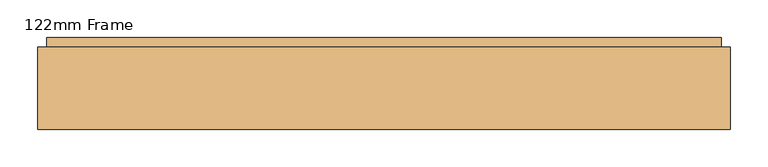
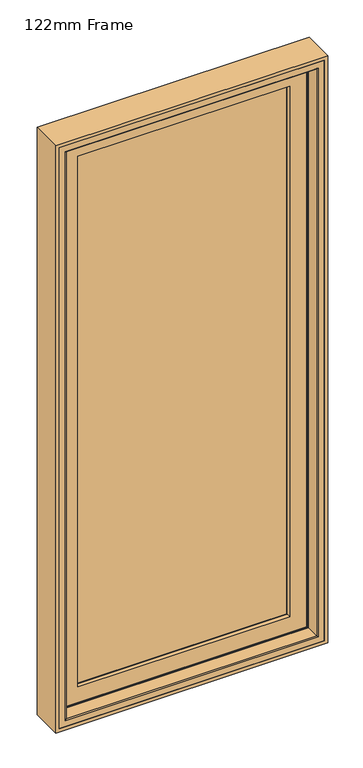
"""IFC4 building model written with IfcOpenShell, lengths in millimetres: door geometry, 122mm Frame."""

from ifc_helpers import new_model, si_unit, frame, origin, place, context, project, spatial, polyline, ellipse_curve, outline, extrude, faceted_brep, source, transform, mapped, element, save
from ifc_brep_helpers import plane_surface, cylinder_surface, advanced_brep


def door_122mm_frame_425544b1(model_context):
    return source(origin(), model_context, "Body", "SolidModel", [
        extrude(outline(polyline([(2100.0, -460.0), (0.0, -460.0), (0.0, 460.0), (2100.0, 460.0), (2100.0, -460.0)]), holes=[polyline([(2088.0, 448.0), (12.0, 448.0), (12.0, -448.0), (2088.0, -448.0), (2088.0, 448.0)])]), frame((0.0, 32.0, 0.0), z_axis=(0.0, 1.0, 0.0), x_axis=(0.0, 0.0, 1.0)), (0.0, 0.0, 1.0), 109.0),
        extrude(outline(polyline([(-370.0, 141.0), (370.0, 141.0), (370.0, 93.0), (-370.0, 93.0), (-370.0, 141.0)])), frame((0.0, 0.0, 90.0), z_axis=(0.0, 0.0, 1.0), x_axis=(1.0, 0.0, 0.0)), (0.0, 0.0, 1.0), 1920.0),
        faceted_brep([(-392.3998467, 148.4070391, 2032.3998467), (-392.3998467, 153.0, 2032.3998467), (-392.3998467, 153.0, 67.6001533), (-392.3998467, 148.4070391, 67.6001533), (392.3998467, 153.0, 2032.3998467), (392.3998467, 153.0, 67.6001533), (-359.2566168, 153.0, 100.7433832), (359.2566168, 153.0, 100.7433832), (359.2566168, 153.0, 1999.2566168), (-359.2566168, 153.0, 1999.2566168), (392.3998467, 148.4070391, 67.6001533), (-397.6739389, 139.5531262, 2037.6739389), (-397.6739389, 139.5531262, 62.3260611), (397.6739389, 139.5531262, 62.3260611), (-399.5133955, 139.5531262, 2039.5133955), (399.5133955, 139.5531262, 2039.5133955), (399.5133955, 139.5531262, 60.4866045), (-399.5133955, 139.5531262, 60.4866045), (397.6739389, 139.5531262, 2037.6739389), (-399.5133955, 121.0, 2039.5133955), (-399.5133955, 121.0, 60.4866045), (399.5133955, 121.0, 60.4866045), (-409.5133955, 121.0, 2049.5133955), (409.5133955, 121.0, 2049.5133955), (409.5133955, 121.0, 50.4866045), (-409.5133955, 121.0, 50.4866045), (399.5133955, 121.0, 2039.5133955), (-409.5133955, 88.5, 2049.5133955), (-409.5133955, 88.5, 50.4866045), (409.5133955, 88.5, 50.4866045), (-420.2977, 88.5, 2060.2977), (420.2976999, 88.5, 2060.2977), (420.2976999, 88.5, 39.7023001), (-420.2977, 88.5, 39.7023001), (409.5133955, 88.5, 2049.5133955), (-420.2977, 83.5, 2060.2977), (-420.2977, 83.5, 39.7023001), (420.2976999, 83.5, 39.7023001), (420.2976999, 83.5, 2060.2977), (-413.5, 83.5, 2053.5), (413.5, 83.5, 2053.5), (413.5, 83.5, 46.5), (-413.5, 83.5, 46.5), (-413.5, 78.0, 2053.5), (-413.5, 78.0, 46.5), (413.5, 78.0, 46.5), (413.5, 78.0, 2053.5), (-358.3157816, 78.0, 1998.3157816), (358.3157816, 78.0, 1998.3157816), (358.3157816, 78.0, 101.6842184), (-358.3157816, 78.0, 101.6842184), (-356.0003067, 88.8934531, 1996.0003067), (-356.0003067, 88.8934531, 103.9996933), (356.0003067, 88.8934531, 103.9996933), (-356.0003067, 93.0, 1996.0003067), (-356.0003067, 93.0, 103.9996933), (356.0003067, 93.0, 103.9996933), (-370.0, 93.0, 2010.0), (370.0, 93.0, 2010.0), (370.0, 93.0, 90.0), (-370.0, 93.0, 90.0), (356.0003067, 93.0, 1996.0003067), (-370.0, 141.0, 2010.0), (-370.0, 141.0, 90.0), (370.0, 141.0, 90.0), (370.0, 141.0, 2010.0), (-355.5878486, 141.0, 1995.5878486), (355.5878486, 141.0, 1995.5878486), (355.5878486, 141.0, 104.4121514), (-355.5878486, 141.0, 104.4121514), (392.3998467, 148.4070391, 2032.3998467), (356.0003067, 88.8934531, 1996.0003067)], [[[0, 1, 2, 3]], [[1, 4, 5, 2], [6, 7, 8, 9]], [[3, 2, 5, 10]], [[11, 0, 3, 12]], [[12, 3, 10, 13]], [[14, 15, 16, 17], [12, 13, 18, 11]], [[19, 14, 17, 20]], [[20, 17, 16, 21]], [[22, 23, 24, 25], [20, 21, 26, 19]], [[27, 22, 25, 28]], [[28, 25, 24, 29]], [[30, 31, 32, 33], [28, 29, 34, 27]], [[35, 30, 33, 36]], [[36, 33, 32, 37]], [[36, 37, 38, 35], [39, 40, 41, 42]], [[43, 39, 42, 44]], [[44, 42, 41, 45]], [[44, 45, 46, 43], [47, 48, 49, 50]], [[51, 47, 50, 52]], [[52, 50, 49, 53]], [[54, 51, 52, 55]], [[55, 52, 53, 56]], [[57, 58, 59, 60], [55, 56, 61, 54]], [[62, 57, 60, 63]], [[63, 60, 59, 64]], [[63, 64, 65, 62], [66, 67, 68, 69]], [[9, 66, 69, 6]], [[6, 69, 68, 7]], [[10, 5, 4, 70]], [[13, 10, 70, 18]], [[21, 16, 15, 26]], [[29, 24, 23, 34]], [[37, 32, 31, 38]], [[45, 41, 40, 46]], [[53, 49, 48, 71]], [[56, 53, 71, 61]], [[64, 59, 58, 65]], [[7, 68, 67, 8]], [[70, 4, 1, 0]], [[18, 70, 0, 11]], [[26, 15, 14, 19]], [[34, 23, 22, 27]], [[38, 31, 30, 35]], [[46, 40, 39, 43]], [[71, 48, 47, 51]], [[61, 71, 51, 54]], [[65, 58, 57, 62]], [[8, 67, 66, 9]]]),
        advanced_brep(
        [(-424.0, 83.0, 2064.0), (-424.0, 35.0, 2064.0), (-424.0, 35.0, 36.0), (-424.0, 83.0, 36.0), (-427.0, 32.0, 2067.0), (-427.0, 32.0, 33.0), (424.0, 35.0, 36.0), (424.0, 83.0, 36.0), (424.0, 83.0, 2064.0), (-422.0, 83.0, 2062.0), (422.0, 83.0, 2062.0), (422.0, 83.0, 38.0), (-422.0, 83.0, 38.0), (-422.0, 111.4, 2062.0), (-422.0, 111.4, 38.0), (422.0, 111.4, 38.0), (422.0, 111.4, 2062.0), (-413.9000002, 111.4, 2053.9000002), (413.9000002, 111.4, 2053.9000002), (413.9000002, 111.4, 46.0999998), (-413.9000002, 111.4, 46.0999998), (-413.9000002, 126.0, 2053.9000002), (-413.9000002, 126.0, 46.0999998), (413.9000002, 126.0, 46.0999998), (413.9000002, 126.0, 2053.9000002), (-406.7201943, 126.0, 2046.7201943), (406.7201943, 126.0, 2046.7201943), (406.7201943, 126.0, 53.2798057), (-406.7201943, 126.0, 53.2798057), (-406.7201943, 140.2372876, 2046.7201943), (-406.7201943, 140.2372876, 53.2798057), (406.7201943, 140.2372876, 53.2798057), (406.7201943, 140.2372876, 2046.7201943), (-398.0131086, 140.2372876, 2038.0131086), (398.0131086, 140.2372876, 2038.0131086), (398.0131086, 140.2372876, 61.9868914), (-398.0131086, 140.2372876, 61.9868914), (-398.0131086, 143.3877115, 2038.0131086), (-398.0131086, 143.3877115, 61.9868914), (398.0131086, 143.3877115, 61.9868914), (-401.2576108, 154.0, 2041.2576108), (-401.2576108, 154.0, 58.7423892), (401.2576108, 154.0, 58.7423892), (-448.0, 154.0, 2088.0), (448.0, 154.0, 2088.0), (448.0, 154.0, 12.0), (-448.0, 154.0, 12.0), (401.2576108, 154.0, 2041.2576108), (-448.0, 90.5, 2088.0), (-448.0, 90.5, 12.0), (448.0, 90.5, 12.0), (448.0, 90.5, 2088.0), (-441.0, 90.5, 2081.0), (441.0, 90.5, 2081.0), (441.0, 90.5, 19.0), (-441.0, 90.5, 19.0), (427.0, 32.0, 33.0), (424.0, 35.0, 2064.0), (398.0131086, 143.3877115, 2038.0131086), (427.0, 32.0, 2067.0), (-448.0, 32.0, 12.0), (448.0, 32.0, 12.0), (448.0, 32.0, 2088.0), (-448.0, 32.0, 2088.0), (-448.0, 86.5, 12.0), (448.0, 86.5, 12.0), (448.0, 86.5, 2088.0), (-448.0, 86.5, 2088.0), (-441.0, 86.5, 2081.0), (-441.0, 86.5, 19.0), (441.0, 86.5, 19.0), (441.0, 86.5, 2081.0)],
        [
            (0, 1),
            (1, 2),
            (2, 3),
            (3, 0),
            (1, 4, ellipse_curve(frame((-427.0, 35.0, 2067.0), z_axis=(-0.7071067811865475, 0.0, -0.7071067811865475), x_axis=(-0.7071067811865474, 0.0, 0.7071067811865476)), 4.2426407, 3.0)),
            (4, 5),
            (5, 2, ellipse_curve(frame((-427.0, 35.0, 33.0), z_axis=(-0.7071067811865475, 0.0, 0.7071067811865475), x_axis=(0.7071067811865474, 0.0, 0.7071067811865476)), 4.2426407, 3.0)),
            (2, 6),
            (6, 7),
            (7, 3),
            (7, 8),
            (8, 0),
            (9, 10),
            (10, 11),
            (11, 12),
            (12, 9),
            (13, 9),
            (12, 14),
            (14, 13),
            (11, 15),
            (15, 14),
            (15, 16),
            (16, 13),
            (17, 18),
            (18, 19),
            (19, 20),
            (20, 17),
            (21, 17),
            (20, 22),
            (22, 21),
            (19, 23),
            (23, 22),
            (23, 24),
            (24, 21),
            (25, 26),
            (26, 27),
            (27, 28),
            (28, 25),
            (29, 25),
            (28, 30),
            (30, 29),
            (27, 31),
            (31, 30),
            (31, 32),
            (32, 29),
            (33, 34),
            (34, 35),
            (35, 36),
            (36, 33),
            (37, 33),
            (36, 38),
            (38, 37),
            (35, 39),
            (39, 38),
            (40, 37),
            (38, 41),
            (41, 40),
            (39, 42),
            (42, 41),
            (43, 44),
            (44, 45),
            (45, 46),
            (46, 43),
            (42, 47),
            (47, 40),
            (48, 43),
            (46, 49),
            (49, 48),
            (45, 50),
            (50, 49),
            (50, 51),
            (51, 48),
            (52, 53),
            (53, 54),
            (54, 55),
            (55, 52),
            (5, 56),
            (56, 6, ellipse_curve(frame((427.0, 35.0, 33.0), z_axis=(-0.7071067811865475, 0.0, -0.7071067811865475), x_axis=(-0.7071067811865476, 0.0, 0.7071067811865474)), 4.2426407, 3.0)),
            (6, 57),
            (57, 8),
            (10, 16),
            (18, 24),
            (26, 32),
            (34, 58),
            (58, 39),
            (58, 47),
            (44, 51),
            (56, 59),
            (59, 57, ellipse_curve(frame((427.0, 35.0, 2067.0), z_axis=(0.7071067811865475, 0.0, -0.7071067811865475), x_axis=(-0.7071067811865474, 0.0, -0.7071067811865476)), 4.2426407, 3.0)),
            (60, 61),
            (61, 62),
            (62, 63),
            (63, 60),
            (4, 59),
            (60, 64),
            (64, 65),
            (65, 61),
            (65, 66),
            (66, 62),
            (63, 67),
            (67, 64),
            (68, 52),
            (55, 69),
            (69, 68),
            (54, 70),
            (70, 69),
            (67, 66),
            (70, 71),
            (71, 68),
            (53, 71),
            (57, 1),
            (37, 58),
        ],
        [
            plane_surface(frame((-424.0, 35.0, 2064.0), z_axis=(1.0, 0.0, 0.0), x_axis=(0.0, 0.0, -1.0))),
            cylinder_surface(frame((-427.0, 35.0, 2088.0), z_axis=(0.0, 0.0, 1.0), x_axis=(0.0, 1.0, 0.0)), 3.0),
            plane_surface(frame((-424.0, 35.0, 36.0), z_axis=(0.0, 0.0, 1.0), x_axis=(1.0, 0.0, 0.0))),
            plane_surface(frame((424.0, 83.0, 2064.0), z_axis=(0.0, -1.0, 0.0), x_axis=(-1.0, 0.0, 0.0))),
            plane_surface(frame((-422.0, 83.0, 2062.0), z_axis=(1.0, 0.0, 0.0), x_axis=(0.0, 0.0, -1.0))),
            plane_surface(frame((-422.0, 83.0, 38.0), z_axis=(0.0, 0.0, 1.0), x_axis=(1.0, 0.0, 0.0))),
            plane_surface(frame((422.0, 111.4, 2062.0), z_axis=(0.0, -1.0, 0.0), x_axis=(-1.0, 0.0, 0.0))),
            plane_surface(frame((-413.9000002, 111.4, 2053.9000002), z_axis=(1.0, 0.0, 0.0), x_axis=(0.0, 0.0, -1.0))),
            plane_surface(frame((-413.9000002, 111.4, 46.0999998), z_axis=(0.0, 0.0, 1.0), x_axis=(1.0, 0.0, 0.0))),
            plane_surface(frame((413.9000002, 126.0, 2053.9000002), z_axis=(0.0, -1.0, 0.0), x_axis=(-1.0, 0.0, 0.0))),
            plane_surface(frame((-406.7201943, 126.0, 2046.7201943), z_axis=(1.0, 0.0, 0.0), x_axis=(0.0, 0.0, -1.0))),
            plane_surface(frame((-406.7201943, 126.0, 53.2798057), z_axis=(0.0, 0.0, 1.0), x_axis=(1.0, 0.0, 0.0))),
            plane_surface(frame((406.7201943, 140.2372876, 2046.7201943), z_axis=(0.0, -1.0, 0.0), x_axis=(-1.0, 0.0, 0.0))),
            plane_surface(frame((-398.0131086, 140.2372876, 2038.0131086), z_axis=(1.0, 0.0, 0.0), x_axis=(0.0, 0.0, -1.0))),
            plane_surface(frame((-398.0131086, 140.2372876, 61.9868914), z_axis=(0.0, 0.0, 1.0), x_axis=(1.0, 0.0, 0.0))),
            plane_surface(frame((-398.0131086, 143.3877115, 2038.0131086), z_axis=(0.9563047559629344, 0.29237170472306745, 0.0), x_axis=(0.0, 0.0, -1.0))),
            plane_surface(frame((-398.0131086, 143.3877115, 61.9868914), z_axis=(0.0, 0.29237170472306745, 0.9563047559629344), x_axis=(1.0, 0.0, 0.0))),
            plane_surface(frame((401.2576108, 154.0, 2041.2576108), z_axis=(0.0, 1.0, 0.0), x_axis=(-1.0, 0.0, 0.0))),
            plane_surface(frame((-448.0, 154.0, 2088.0), z_axis=(-1.0, 0.0, 0.0), x_axis=(0.0, 0.0, -1.0))),
            plane_surface(frame((-448.0, 154.0, 12.0), z_axis=(0.0, 0.0, -1.0), x_axis=(1.0, 0.0, 0.0))),
            plane_surface(frame((448.0, 90.5, 2088.0), z_axis=(0.0, -1.0, 0.0), x_axis=(-1.0, 0.0, 0.0))),
            cylinder_surface(frame((-448.0, 35.0, 33.0), z_axis=(-1.0, 0.0, 0.0), x_axis=(0.0, 1.0, 0.0)), 3.0),
            plane_surface(frame((424.0, 35.0, 36.0), z_axis=(-1.0, 0.0, 0.0), x_axis=(0.0, 0.0, 1.0))),
            plane_surface(frame((422.0, 83.0, 38.0), z_axis=(-1.0, 0.0, 0.0), x_axis=(0.0, 0.0, 1.0))),
            plane_surface(frame((413.9000002, 111.4, 46.0999998), z_axis=(-1.0, 0.0, 0.0), x_axis=(0.0, 0.0, 1.0))),
            plane_surface(frame((406.7201943, 126.0, 53.2798057), z_axis=(-1.0, 0.0, 0.0), x_axis=(0.0, 0.0, 1.0))),
            plane_surface(frame((398.0131086, 140.2372876, 61.9868914), z_axis=(-1.0, 0.0, 0.0), x_axis=(0.0, 0.0, 1.0))),
            plane_surface(frame((398.0131086, 143.3877115, 61.9868914), z_axis=(-0.9563047559629344, 0.29237170472306745, 0.0), x_axis=(0.0, 0.0, 1.0))),
            plane_surface(frame((448.0, 154.0, 12.0), z_axis=(1.0, 0.0, 0.0), x_axis=(0.0, 0.0, 1.0))),
            cylinder_surface(frame((427.0, 35.0, 12.0), z_axis=(0.0, 0.0, -1.0), x_axis=(0.0, 1.0, 0.0)), 3.0),
            plane_surface(frame((448.0, 32.0, 2088.0), z_axis=(0.0, -1.0, 0.0), x_axis=(-1.0, 0.0, 0.0))),
            plane_surface(frame((-448.0, 86.5, 12.0), z_axis=(0.0, 0.0, -1.0), x_axis=(1.0, 0.0, 0.0))),
            plane_surface(frame((448.0, 86.5, 12.0), z_axis=(1.0, 0.0, 0.0), x_axis=(0.0, 0.0, 1.0))),
            plane_surface(frame((-448.0, 86.5, 2088.0), z_axis=(-1.0, 0.0, 0.0), x_axis=(0.0, 0.0, -1.0))),
            plane_surface(frame((-441.0, 90.5, 2081.0), z_axis=(-1.0, 0.0, 0.0), x_axis=(0.0, 0.0, -1.0))),
            plane_surface(frame((-441.0, 90.5, 19.0), z_axis=(0.0, 0.0, -1.0), x_axis=(1.0, 0.0, 0.0))),
            plane_surface(frame((441.0, 86.5, 2081.0), z_axis=(0.0, 1.0, 0.0), x_axis=(-1.0, 0.0, 0.0))),
            plane_surface(frame((441.0, 90.5, 19.0), z_axis=(1.0, 0.0, 0.0), x_axis=(0.0, 0.0, 1.0))),
            plane_surface(frame((424.0, 35.0, 2064.0), z_axis=(0.0, 0.0, -1.0), x_axis=(-1.0, 0.0, 0.0))),
            plane_surface(frame((422.0, 83.0, 2062.0), z_axis=(0.0, 0.0, -1.0), x_axis=(-1.0, 0.0, 0.0))),
            plane_surface(frame((413.9000002, 111.4, 2053.9000002), z_axis=(0.0, 0.0, -1.0), x_axis=(-1.0, 0.0, 0.0))),
            plane_surface(frame((406.7201943, 126.0, 2046.7201943), z_axis=(0.0, 0.0, -1.0), x_axis=(-1.0, 0.0, 0.0))),
            plane_surface(frame((398.0131086, 140.2372876, 2038.0131086), z_axis=(0.0, 0.0, -1.0), x_axis=(-1.0, 0.0, 0.0))),
            plane_surface(frame((398.0131086, 143.3877115, 2038.0131086), z_axis=(0.0, 0.29237170472306745, -0.9563047559629344), x_axis=(-1.0, 0.0, 0.0))),
            plane_surface(frame((448.0, 154.0, 2088.0), z_axis=(0.0, 0.0, 1.0), x_axis=(-1.0, 0.0, 0.0))),
            cylinder_surface(frame((448.0, 35.0, 2067.0), z_axis=(1.0, 0.0, 0.0), x_axis=(0.0, 1.0, 0.0)), 3.0),
            plane_surface(frame((441.0, 90.5, 2081.0), z_axis=(0.0, 0.0, 1.0), x_axis=(-1.0, 0.0, 0.0))),
            plane_surface(frame((448.0, 86.5, 2088.0), z_axis=(0.0, 0.0, 1.0), x_axis=(-1.0, 0.0, 0.0))),
        ],
        [
            (0, [[1, 2, 3, 4]]),
            (1, [[5, 6, 7, -2]]),
            (2, [[-3, 8, 9, 10]]),
            (3, [[-10, 11, 12, -4], [13, 14, 15, 16]]),
            (4, [[17, -16, 18, 19]]),
            (5, [[-18, -15, 20, 21]]),
            (6, [[-21, 22, 23, -19], [24, 25, 26, 27]]),
            (7, [[28, -27, 29, 30]]),
            (8, [[-29, -26, 31, 32]]),
            (9, [[-32, 33, 34, -30], [35, 36, 37, 38]]),
            (10, [[39, -38, 40, 41]]),
            (11, [[-40, -37, 42, 43]]),
            (12, [[-43, 44, 45, -41], [46, 47, 48, 49]]),
            (13, [[50, -49, 51, 52]]),
            (14, [[-51, -48, 53, 54]]),
            (15, [[55, -52, 56, 57]]),
            (16, [[-56, -54, 58, 59]]),
            (17, [[60, 61, 62, 63], [-59, 64, 65, -57]]),
            (18, [[66, -63, 67, 68]]),
            (19, [[-67, -62, 69, 70]]),
            (20, [[-70, 71, 72, -68], [73, 74, 75, 76]]),
            (21, [[-7, 77, 78, -8]]),
            (22, [[-9, 79, 80, -11]]),
            (23, [[-20, -14, 81, -22]]),
            (24, [[-31, -25, 82, -33]]),
            (25, [[-42, -36, 83, -44]]),
            (26, [[-53, -47, 84, 85]]),
            (27, [[-58, -85, 86, -64]]),
            (28, [[-69, -61, 87, -71]]),
            (29, [[-78, 88, 89, -79]]),
            (30, [[90, 91, 92, 93], [94, -88, -77, -6]]),
            (31, [[95, 96, 97, -90]]),
            (32, [[-97, 98, 99, -91]]),
            (33, [[100, 101, -95, -93]]),
            (34, [[102, -76, 103, 104]]),
            (35, [[-103, -75, 105, 106]]),
            (36, [[107, -98, -96, -101], [-106, 108, 109, -104]]),
            (37, [[-105, -74, 110, -108]]),
            (38, [[-80, 111, -1, -12]]),
            (39, [[-81, -13, -17, -23]]),
            (40, [[-82, -24, -28, -34]]),
            (41, [[-83, -35, -39, -45]]),
            (42, [[-84, -46, -50, 112]]),
            (43, [[-86, -112, -55, -65]]),
            (44, [[-87, -60, -66, -72]]),
            (45, [[-89, -94, -5, -111]]),
            (46, [[-110, -73, -102, -109]]),
            (47, [[-99, -107, -100, -92]]),
        ],
    ),
    ])


if __name__ == "__main__":
    model = new_model("IFC4")
    model_context = context("Model", 3, world=origin())
    ifc_project = project(units=[si_unit("LENGTHUNIT", "METRE", prefix="MILLI")], contexts=[model_context])
    site = spatial("IfcSite", under=ifc_project)
    building = spatial("IfcBuilding", under=site)
    placement = place(None, origin())
    door_122mm_frame_shape = door_122mm_frame_425544b1(model_context)
    element("IfcDoor", 1, ObjectType="122mm Frame", at=placement, inside=building, context=model_context, shape_type="MappedRepresentation", body=[
        mapped(door_122mm_frame_shape, transform((0.0, 0.0, 0.0), x_axis=(1.0, 0.0, 0.0), y_axis=(0.0, 1.0, 0.0), z_axis=(0.0, 0.0, 1.0))),
    ])
    save(model, "model.ifc")
